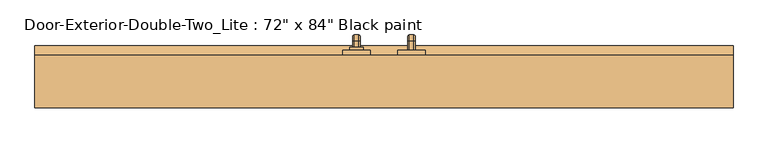
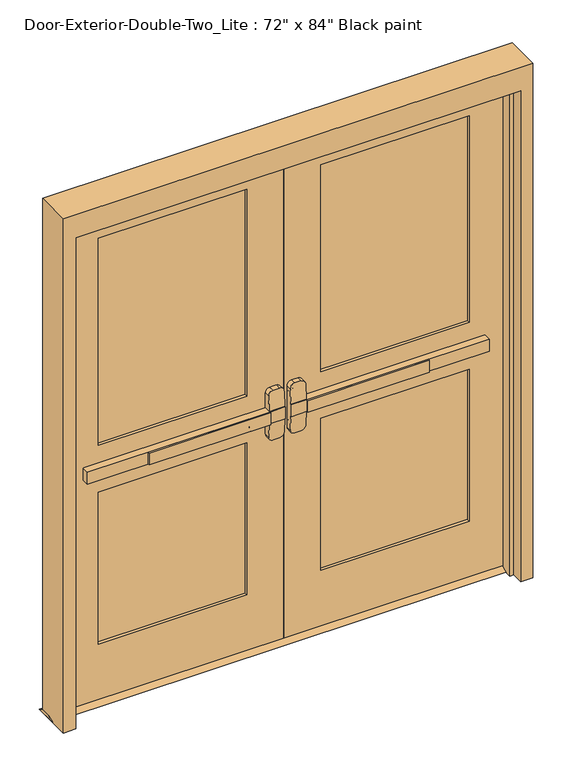
"""IFC4 building model written with IfcOpenShell, lengths in millimetres: door geometry."""

from ifc_helpers import new_model, si_unit, point, frame, frame_2d, origin, place, context, project, spatial, polyline, circle_curve, ellipse_curve, trimmed, segment, composite_curve, outline, extrude, faceted_brep, source, transform, mapped, element, save
from ifc_brep_helpers import plane_surface, cylinder_surface, revolved_surface, advanced_brep


def door_c97470d8(model_context):
    return source(origin(), model_context, "Body", "SolidModel", [
        extrude(outline(polyline([(-575.7333333, 74.6125), (-575.7333333, 80.9625), (-76.2, 80.9625), (-76.2, 74.6125), (-575.7333333, 74.6125)])), frame((0.0, 0.0, 990.6), z_axis=(0.0, 0.0, 1.0), x_axis=(1.0, 0.0, 0.0)), (0.0, 0.0, 1.0), 50.8),
        advanced_brep(
        [(-12.7, 80.9625, 1041.4), (-76.2, 80.9625, 1041.4), (-825.5, 80.9625, 1041.4), (-825.5, 80.9625, 990.6), (-76.2, 80.9625, 990.6), (-12.7, 80.9625, 990.6), (-825.5, 112.7125, 1041.4), (-76.2, 112.7125, 1041.4), (-76.2, 112.7125, 1104.9), (-57.15, 112.7125, 1123.95), (-31.75, 112.7125, 1123.95), (-12.7, 112.7125, 1104.9), (-12.7, 112.7125, 927.1), (-31.75, 112.7125, 908.05), (-57.15, 112.7125, 908.05), (-76.2, 112.7125, 927.1), (-76.2, 112.7125, 990.6), (-825.5, 112.7125, 990.6), (-12.7, 84.1377467, 1041.4), (-76.2, 84.1377467, 1041.4), (-12.7, 84.1377467, 990.6), (-12.7, 89.1479269, 927.1), (-12.7, 89.1479269, 1104.9), (-76.2, 84.1377467, 990.6), (-76.2, 89.1479269, 1104.9), (-76.2, 89.1479269, 927.1), (-57.15, 90.650981, 1123.95), (-31.75, 90.650981, 1123.95), (-31.75, 90.650981, 908.05), (-57.15, 90.650981, 908.05)],
        [
            (0, 1),
            (1, 2),
            (2, 3),
            (3, 4),
            (4, 5),
            (5, 0),
            (6, 7),
            (7, 8),
            (8, 9, circle_curve(frame((-57.15, 112.7125, 1104.9), z_axis=(0.0, 1.0, 0.0), x_axis=(-1.0, 0.0, 0.0)), 19.05)),
            (9, 10),
            (10, 11, circle_curve(frame((-31.75, 112.7125, 1104.9), z_axis=(0.0, 1.0, 0.0), x_axis=(-1.0, 0.0, 0.0)), 19.05)),
            (11, 12),
            (12, 13, circle_curve(frame((-31.75, 112.7125, 927.1), z_axis=(0.0, 1.0, 0.0), x_axis=(-1.0, 0.0, 0.0)), 19.05)),
            (13, 14),
            (14, 15, circle_curve(frame((-57.15, 112.7125, 927.1), z_axis=(0.0, 1.0, 0.0), x_axis=(-1.0, 0.0, 0.0)), 19.05)),
            (15, 16),
            (16, 17),
            (17, 6),
            (0, 18),
            (18, 19),
            (19, 7),
            (6, 2),
            (5, 20),
            (20, 21),
            (21, 12),
            (11, 22),
            (22, 18),
            (16, 23),
            (23, 20),
            (3, 17),
            (19, 24),
            (24, 8),
            (15, 25),
            (25, 23),
            (9, 26),
            (26, 27),
            (27, 10),
            (13, 28),
            (28, 29),
            (29, 14),
            (29, 25, ellipse_curve(frame((-57.15, 89.1479269, 927.1), z_axis=(0.0, 0.9969018152893365, 0.07865602756830282), x_axis=(0.0, -0.07865602756830208, 0.9969018152893365)), 19.1092038, 19.05)),
            (24, 26, ellipse_curve(frame((-57.15, 89.1479269, 1104.9), z_axis=(0.0, 0.9969018152893376, -0.07865602756828934), x_axis=(0.0, -0.078656027568288, -0.9969018152893377)), 19.1092038, 19.05)),
            (27, 22, ellipse_curve(frame((-31.75, 89.1479269, 1104.9), z_axis=(0.0, 0.9969018152893376, -0.07865602756828934), x_axis=(0.0, -0.078656027568288, -0.9969018152893377)), 19.1092038, 19.05)),
            (21, 28, ellipse_curve(frame((-31.75, 89.1479269, 927.1), z_axis=(0.0, 0.9969018152893365, 0.07865602756830282), x_axis=(0.0, -0.07865602756830208, 0.9969018152893365)), 19.1092038, 19.05)),
        ],
        [
            plane_surface(frame((-12.7, 80.9625, 1041.4), z_axis=(0.0, -1.0, 0.0), x_axis=(1.0, 0.0, 0.0))),
            plane_surface(frame((-12.7, 112.7125, 1041.4), z_axis=(0.0, 1.0, 0.0), x_axis=(-1.0, 0.0, 0.0))),
            plane_surface(frame((-825.5, 80.9625, 1041.4), z_axis=(0.0, 0.0, 1.0), x_axis=(0.0, 1.0, 0.0))),
            plane_surface(frame((-12.7, 80.9625, 1041.4), z_axis=(1.0, 0.0, 0.0), x_axis=(0.0, 1.0, 0.0))),
            plane_surface(frame((-12.7, 80.9625, 990.6), z_axis=(0.0, 0.0, -1.0), x_axis=(0.0, 1.0, 0.0))),
            plane_surface(frame((-825.5, 80.9625, 990.6), z_axis=(-1.0, 0.0, 0.0), x_axis=(0.0, 1.0, 0.0))),
            plane_surface(frame((-76.2, 84.1377467, 927.1), z_axis=(-1.0, 0.0, 0.0), x_axis=(0.0, 1.0, 0.0))),
            plane_surface(frame((-57.15, 84.1377467, 1123.95), z_axis=(0.0, 0.0, 1.0), x_axis=(0.0, 1.0, 0.0))),
            plane_surface(frame((-31.75, 84.1377467, 908.05), z_axis=(0.0, 0.0, -1.0), x_axis=(0.0, 1.0, 0.0))),
            cylinder_surface(frame((-57.15, 112.7125, 927.1), z_axis=(0.0, -1.0, 0.0), x_axis=(-1.0, 0.0, 0.0)), 19.05),
            cylinder_surface(frame((-57.15, 112.7125, 1104.9), z_axis=(0.0, -1.0, 0.0), x_axis=(-1.0, 0.0, 0.0)), 19.05),
            cylinder_surface(frame((-31.75, 112.7125, 1104.9), z_axis=(0.0, -1.0, 0.0), x_axis=(-1.0, 0.0, 0.0)), 19.05),
            cylinder_surface(frame((-31.75, 112.7125, 927.1), z_axis=(0.0, -1.0, 0.0), x_axis=(-1.0, 0.0, 0.0)), 19.05),
            plane_surface(frame((-76.2, 84.1377467, 1041.4), z_axis=(0.0, -0.9969018152893376, 0.07865602756828934), x_axis=(1.0, 0.0, 0.0))),
            plane_surface(frame((-76.2, 90.650981, 908.05), z_axis=(0.0, -0.9969018152893365, -0.07865602756830282), x_axis=(1.0, 0.0, 0.0))),
        ],
        [
            (0, [[1, 2, 3, 4, 5, 6]]),
            (1, [[7, 8, 9, 10, 11, 12, 13, 14, 15, 16, 17, 18]]),
            (2, [[-2, -1, 19, 20, 21, -7, 22]]),
            (3, [[23, 24, 25, -12, 26, 27, -19, -6]]),
            (4, [[-17, 28, 29, -23, -5, -4, 30]]),
            (5, [[-22, -18, -30, -3]]),
            (6, [[-21, 31, 32, -8]]),
            (6, [[33, 34, -28, -16]]),
            (7, [[35, 36, 37, -10]]),
            (8, [[38, 39, 40, -14]]),
            (9, [[-40, 41, -33, -15]]),
            (10, [[-32, 42, -35, -9]]),
            (11, [[-37, 43, -26, -11]]),
            (12, [[-25, 44, -38, -13]]),
            (13, [[-27, -43, -36, -42, -31, -20]]),
            (14, [[-29, -34, -41, -39, -44, -24]]),
        ],
    ),
        extrude(outline(polyline([(157.1625, 12.7), (182.5625, 0.0), (87.3125, 0.0), (112.7125, 12.7), (157.1625, 12.7)])), frame((-965.2, 0.0, 0.0), z_axis=(1.0, 0.0, 0.0), x_axis=(0.0, 1.0, 0.0)), (0.0, 0.0, 1.0), 1930.4),
        extrude(outline(polyline([(575.7333333, 74.6125), (76.2, 74.6125), (76.2, 80.9625), (575.7333333, 80.9625), (575.7333333, 74.6125)])), frame((0.0, 0.0, 990.6), z_axis=(0.0, 0.0, 1.0), x_axis=(1.0, 0.0, 0.0)), (0.0, 0.0, 1.0), 50.8),
        advanced_brep(
        [(12.7, 80.9625, 1041.4), (12.7, 80.9625, 990.6), (76.2, 80.9625, 990.6), (825.5, 80.9625, 990.6), (825.5, 80.9625, 1041.4), (76.2, 80.9625, 1041.4), (825.5, 112.7125, 1041.4), (825.5, 112.7125, 990.6), (76.2, 112.7125, 990.6), (76.2, 112.7125, 927.1), (57.15, 112.7125, 908.05), (31.75, 112.7125, 908.05), (12.7, 112.7125, 927.1), (12.7, 112.7125, 1104.9), (31.75, 112.7125, 1123.95), (57.15, 112.7125, 1123.95), (76.2, 112.7125, 1104.9), (76.2, 112.7125, 1041.4), (76.2, 84.1377467, 1041.4), (12.7, 84.1377467, 1041.4), (12.7, 89.1479269, 1104.9), (12.7, 89.1479269, 927.1), (12.7, 84.1377467, 990.6), (76.2, 84.1377467, 990.6), (76.2, 89.1479269, 927.1), (76.2, 89.1479269, 1104.9), (31.75, 90.650981, 1123.95), (57.15, 90.650981, 1123.95), (57.15, 90.650981, 908.05), (31.75, 90.650981, 908.05)],
        [
            (0, 1),
            (1, 2),
            (2, 3),
            (3, 4),
            (4, 5),
            (5, 0),
            (6, 7),
            (7, 8),
            (8, 9),
            (9, 10, circle_curve(frame((57.15, 112.7125, 927.1), z_axis=(0.0, 1.0, 0.0), x_axis=(1.0, 0.0, 0.0)), 19.05)),
            (10, 11),
            (11, 12, circle_curve(frame((31.75, 112.7125, 927.1), z_axis=(0.0, 1.0, 0.0), x_axis=(1.0, 0.0, 0.0)), 19.05)),
            (12, 13),
            (13, 14, circle_curve(frame((31.75, 112.7125, 1104.9), z_axis=(0.0, 1.0, 0.0), x_axis=(1.0, 0.0, 0.0)), 19.05)),
            (14, 15),
            (15, 16, circle_curve(frame((57.15, 112.7125, 1104.9), z_axis=(0.0, 1.0, 0.0), x_axis=(1.0, 0.0, 0.0)), 19.05)),
            (16, 17),
            (17, 6),
            (4, 6),
            (17, 18),
            (18, 19),
            (19, 0),
            (19, 20),
            (20, 13),
            (12, 21),
            (21, 22),
            (22, 1),
            (7, 3),
            (22, 23),
            (23, 8),
            (23, 24),
            (24, 9),
            (16, 25),
            (25, 18),
            (14, 26),
            (26, 27),
            (27, 15),
            (10, 28),
            (28, 29),
            (29, 11),
            (24, 28, ellipse_curve(frame((57.15, 89.1479269, 927.1), z_axis=(0.0, 0.9969018152893365, 0.07865602756830282), x_axis=(0.0, -0.07865602756830208, 0.9969018152893365)), 19.1092038, 19.05)),
            (27, 25, ellipse_curve(frame((57.15, 89.1479269, 1104.9), z_axis=(0.0, 0.9969018152893376, -0.07865602756828934), x_axis=(0.0, -0.078656027568288, -0.9969018152893377)), 19.1092038, 19.05)),
            (20, 26, ellipse_curve(frame((31.75, 89.1479269, 1104.9), z_axis=(0.0, 0.9969018152893376, -0.07865602756828934), x_axis=(0.0, -0.078656027568288, -0.9969018152893377)), 19.1092038, 19.05)),
            (29, 21, ellipse_curve(frame((31.75, 89.1479269, 927.1), z_axis=(0.0, 0.9969018152893365, 0.07865602756830282), x_axis=(0.0, -0.07865602756830208, 0.9969018152893365)), 19.1092038, 19.05)),
        ],
        [
            plane_surface(frame((12.7, 80.9625, 1041.4), z_axis=(0.0, -1.0, 0.0), x_axis=(-1.0, 0.0, 0.0))),
            plane_surface(frame((12.7, 112.7125, 1041.4), z_axis=(0.0, 1.0, 0.0), x_axis=(1.0, 0.0, 0.0))),
            plane_surface(frame((825.5, 80.9625, 1041.4), z_axis=(0.0, 0.0, 1.0), x_axis=(0.0, 1.0, 0.0))),
            plane_surface(frame((12.7, 80.9625, 1041.4), z_axis=(-1.0, 0.0, 0.0), x_axis=(0.0, 1.0, 0.0))),
            plane_surface(frame((12.7, 80.9625, 990.6), z_axis=(0.0, 0.0, -1.0), x_axis=(0.0, 1.0, 0.0))),
            plane_surface(frame((825.5, 80.9625, 990.6), z_axis=(1.0, 0.0, 0.0), x_axis=(0.0, 1.0, 0.0))),
            plane_surface(frame((76.2, 84.1377467, 927.1), z_axis=(1.0, 0.0, 0.0), x_axis=(0.0, 1.0, 0.0))),
            plane_surface(frame((57.15, 84.1377467, 1123.95), z_axis=(0.0, 0.0, 1.0), x_axis=(0.0, 1.0, 0.0))),
            plane_surface(frame((31.75, 84.1377467, 908.05), z_axis=(0.0, 0.0, -1.0), x_axis=(0.0, 1.0, 0.0))),
            cylinder_surface(frame((57.15, 112.7125, 927.1), z_axis=(0.0, -1.0, 0.0), x_axis=(1.0, 0.0, 0.0)), 19.05),
            cylinder_surface(frame((57.15, 112.7125, 1104.9), z_axis=(0.0, -1.0, 0.0), x_axis=(1.0, 0.0, 0.0)), 19.05),
            cylinder_surface(frame((31.75, 112.7125, 1104.9), z_axis=(0.0, -1.0, 0.0), x_axis=(1.0, 0.0, 0.0)), 19.05),
            cylinder_surface(frame((31.75, 112.7125, 927.1), z_axis=(0.0, -1.0, 0.0), x_axis=(1.0, 0.0, 0.0)), 19.05),
            plane_surface(frame((76.2, 84.1377467, 1041.4), z_axis=(0.0, -0.9969018152893376, 0.07865602756828934), x_axis=(-1.0, 0.0, 0.0))),
            plane_surface(frame((76.2, 90.650981, 908.05), z_axis=(0.0, -0.9969018152893365, -0.07865602756830282), x_axis=(-1.0, 0.0, 0.0))),
        ],
        [
            (0, [[1, 2, 3, 4, 5, 6]]),
            (1, [[7, 8, 9, 10, 11, 12, 13, 14, 15, 16, 17, 18]]),
            (2, [[19, -18, 20, 21, 22, -6, -5]]),
            (3, [[-1, -22, 23, 24, -13, 25, 26, 27]]),
            (4, [[28, -3, -2, -27, 29, 30, -8]]),
            (5, [[-4, -28, -7, -19]]),
            (6, [[-9, -30, 31, 32]]),
            (6, [[-17, 33, 34, -20]]),
            (7, [[-15, 35, 36, 37]]),
            (8, [[-11, 38, 39, 40]]),
            (9, [[-10, -32, 41, -38]]),
            (10, [[-16, -37, 42, -33]]),
            (11, [[-14, -24, 43, -35]]),
            (12, [[-12, -40, 44, -25]]),
            (13, [[-21, -34, -42, -36, -43, -23]]),
            (14, [[-26, -44, -39, -41, -31, -29]]),
        ],
    ),
        advanced_brep(
        [(66.2, 169.8625, 1017.190625), (66.2, 169.8625, 1014.809375), (69.771875, 169.8625, 1011.2375), (82.6284594, 169.8625, 1011.2375), (86.2, 169.8625, 1014.8090406), (86.2, 169.8625, 1017.190625), (82.628125, 169.8625, 1020.7625), (69.771875, 169.8625, 1020.7625), (66.2, 169.8625, 887.809375), (69.771875, 169.8625, 884.2375), (82.628125, 169.8625, 884.2375), (86.2, 169.8625, 887.809375), (86.2, 169.8625, 890.1909594), (82.6284594, 169.8625, 893.7625), (69.771875, 169.8625, 893.7625), (66.2, 169.8625, 890.190625), (66.2, 195.2625, 1017.190625), (66.2, 209.153125, 1003.3), (66.2, 209.153125, 901.7), (66.2, 195.2625, 887.809375), (66.2, 195.2625, 890.190625), (66.2, 206.771875, 901.7), (66.2, 206.771875, 1003.3), (66.2, 195.2625, 1014.809375), (69.771875, 195.2625, 1011.2375), (82.6284594, 195.2625, 1011.2375), (86.2, 195.2625, 1014.8090406), (86.2, 206.7715406, 1003.3), (86.2, 206.7715406, 901.7), (86.2, 195.2625, 890.1909594), (86.2, 195.2625, 887.809375), (86.2, 209.153125, 901.7), (86.2, 209.153125, 1003.3), (86.2, 195.2625, 1017.190625), (82.628125, 195.2625, 1020.7625), (69.771875, 195.2625, 1020.7625), (69.771875, 203.2, 1003.3), (82.6284594, 203.2, 1003.3), (82.628125, 212.725, 1003.3), (69.771875, 212.725, 1003.3), (69.771875, 203.2, 901.7), (82.6284594, 203.2, 901.7), (82.628125, 212.725, 901.7), (69.771875, 212.725, 901.7), (69.771875, 195.2625, 893.7625), (82.6284594, 195.2625, 893.7625), (82.628125, 195.2625, 884.2375), (69.771875, 195.2625, 884.2375)],
        [
            (0, 1),
            (1, 2, circle_curve(frame((69.771875, 169.8625, 1014.809375), z_axis=(0.0, -1.0, 0.0), x_axis=(0.0, 0.0, 1.0)), 3.571875)),
            (2, 3),
            (3, 4, circle_curve(frame((82.6284594, 169.8625, 1014.8090406), z_axis=(0.0, -1.0, 0.0), x_axis=(0.0, 0.0, 1.0)), 3.5715406)),
            (4, 5),
            (5, 6, circle_curve(frame((82.628125, 169.8625, 1017.190625), z_axis=(0.0, -1.0, 0.0), x_axis=(0.0, 0.0, 1.0)), 3.571875)),
            (6, 7),
            (7, 0, circle_curve(frame((69.771875, 169.8625, 1017.190625), z_axis=(0.0, -1.0, 0.0), x_axis=(0.0, 0.0, 1.0)), 3.571875)),
            (8, 9, circle_curve(frame((69.771875, 169.8625, 887.809375), z_axis=(0.0, -1.0, 0.0), x_axis=(0.0, 0.0, -1.0)), 3.571875)),
            (9, 10),
            (10, 11, circle_curve(frame((82.628125, 169.8625, 887.809375), z_axis=(0.0, -1.0, 0.0), x_axis=(0.0, 0.0, -1.0)), 3.571875)),
            (11, 12),
            (12, 13, circle_curve(frame((82.6284594, 169.8625, 890.1909594), z_axis=(0.0, -1.0, 0.0), x_axis=(0.0, 0.0, -1.0)), 3.5715406)),
            (13, 14),
            (14, 15, circle_curve(frame((69.771875, 169.8625, 890.190625), z_axis=(0.0, -1.0, 0.0), x_axis=(0.0, 0.0, -1.0)), 3.571875)),
            (15, 8),
            (0, 16),
            (16, 17, circle_curve(frame((66.2, 195.2625, 1003.3), z_axis=(-1.0, 0.0, 0.0), x_axis=(0.0, 0.0, 1.0)), 13.890625)),
            (17, 18),
            (18, 19, circle_curve(frame((66.2, 195.2625, 901.7), z_axis=(-1.0, 0.0, 0.0), x_axis=(0.0, 1.0, 0.0)), 13.890625)),
            (19, 8),
            (15, 20),
            (20, 21, circle_curve(frame((66.2, 195.2625, 901.7), z_axis=(1.0, 0.0, 0.0), x_axis=(0.0, 1.0, 0.0)), 11.509375)),
            (21, 22),
            (22, 23, circle_curve(frame((66.2, 195.2625, 1003.3), z_axis=(1.0, 0.0, 0.0), x_axis=(0.0, 0.0, 1.0)), 11.509375)),
            (23, 1),
            (23, 24, circle_curve(frame((69.771875, 195.2625, 1014.809375), z_axis=(0.0, -1.0, 0.0), x_axis=(0.0, 0.0, 1.0)), 3.571875)),
            (24, 2),
            (24, 25),
            (25, 3),
            (25, 26, circle_curve(frame((82.6284594, 195.2625, 1014.8090406), z_axis=(0.0, -1.0, 0.0), x_axis=(0.0, 0.0, 1.0)), 3.5715406)),
            (26, 4),
            (26, 27, circle_curve(frame((86.2, 195.2625, 1003.3), z_axis=(-1.0, 0.0, 0.0), x_axis=(0.0, 0.0, 1.0)), 11.5090406)),
            (27, 28),
            (28, 29, circle_curve(frame((86.2, 195.2625, 901.7), z_axis=(-1.0, 0.0, 0.0), x_axis=(0.0, 1.0, 0.0)), 11.5090406)),
            (29, 12),
            (11, 30),
            (30, 31, circle_curve(frame((86.2, 195.2625, 901.7), z_axis=(1.0, 0.0, 0.0), x_axis=(0.0, 1.0, 0.0)), 13.890625)),
            (31, 32),
            (32, 33, circle_curve(frame((86.2, 195.2625, 1003.3), z_axis=(1.0, 0.0, 0.0), x_axis=(0.0, 0.0, 1.0)), 13.890625)),
            (33, 5),
            (33, 34, circle_curve(frame((82.628125, 195.2625, 1017.190625), z_axis=(0.0, -1.0, 0.0), x_axis=(0.0, 0.0, 1.0)), 3.571875)),
            (34, 6),
            (34, 35),
            (35, 7),
            (35, 16, circle_curve(frame((69.771875, 195.2625, 1017.190625), z_axis=(0.0, -1.0, 0.0), x_axis=(0.0, 0.0, 1.0)), 3.571875)),
            (36, 24, circle_curve(frame((69.771875, 195.2625, 1003.3), z_axis=(1.0, 0.0, 0.0), x_axis=(0.0, 0.0, 1.0)), 7.9375)),
            (22, 36, circle_curve(frame((69.771875, 206.771875, 1003.3), z_axis=(0.0, 0.0, 1.0), x_axis=(0.0, 1.0, 0.0)), 3.571875)),
            (37, 25, circle_curve(frame((82.6284594, 195.2625, 1003.3), z_axis=(1.0, 0.0, 0.0), x_axis=(0.0, 0.0, 1.0)), 7.9375)),
            (36, 37),
            (37, 27, circle_curve(frame((82.6284594, 206.7715406, 1003.3), z_axis=(0.0, 0.0, 1.0), x_axis=(0.0, 1.0, 0.0)), 3.5715406)),
            (38, 34, circle_curve(frame((82.628125, 195.2625, 1003.3), z_axis=(1.0, 0.0, 0.0), x_axis=(0.0, 0.0, 1.0)), 17.4625)),
            (32, 38, circle_curve(frame((82.628125, 209.153125, 1003.3), z_axis=(0.0, 0.0, 1.0), x_axis=(0.0, 1.0, 0.0)), 3.571875)),
            (39, 35, circle_curve(frame((69.771875, 195.2625, 1003.3), z_axis=(1.0, 0.0, 0.0), x_axis=(0.0, 0.0, 1.0)), 17.4625)),
            (38, 39),
            (39, 17, circle_curve(frame((69.771875, 209.153125, 1003.3), z_axis=(0.0, 0.0, 1.0), x_axis=(0.0, 1.0, 0.0)), 3.571875)),
            (21, 40, circle_curve(frame((69.771875, 206.771875, 901.7), z_axis=(0.0, 0.0, 1.0), x_axis=(0.0, 1.0, 0.0)), 3.571875)),
            (40, 36),
            (40, 41),
            (41, 37),
            (41, 28, circle_curve(frame((82.6284594, 206.7715406, 901.7), z_axis=(0.0, 0.0, 1.0), x_axis=(0.0, 1.0, 0.0)), 3.5715406)),
            (31, 42, circle_curve(frame((82.628125, 209.153125, 901.7), z_axis=(0.0, 0.0, 1.0), x_axis=(0.0, 1.0, 0.0)), 3.571875)),
            (42, 38),
            (42, 43),
            (43, 39),
            (43, 18, circle_curve(frame((69.771875, 209.153125, 901.7), z_axis=(0.0, 0.0, 1.0), x_axis=(0.0, 1.0, 0.0)), 3.571875)),
            (44, 40, circle_curve(frame((69.771875, 195.2625, 901.7), z_axis=(1.0, 0.0, 0.0), x_axis=(0.0, 1.0, 0.0)), 7.9375)),
            (20, 44, circle_curve(frame((69.771875, 195.2625, 890.190625), z_axis=(0.0, 1.0, 0.0), x_axis=(0.0, 0.0, -1.0)), 3.571875)),
            (45, 41, circle_curve(frame((82.6284594, 195.2625, 901.7), z_axis=(1.0, 0.0, 0.0), x_axis=(0.0, 1.0, 0.0)), 7.9375)),
            (44, 45),
            (45, 29, circle_curve(frame((82.6284594, 195.2625, 890.1909594), z_axis=(0.0, 1.0, 0.0), x_axis=(0.0, 0.0, -1.0)), 3.5715406)),
            (46, 42, circle_curve(frame((82.628125, 195.2625, 901.7), z_axis=(1.0, 0.0, 0.0), x_axis=(0.0, 1.0, 0.0)), 17.4625)),
            (30, 46, circle_curve(frame((82.628125, 195.2625, 887.809375), z_axis=(0.0, 1.0, 0.0), x_axis=(0.0, 0.0, -1.0)), 3.571875)),
            (47, 43, circle_curve(frame((69.771875, 195.2625, 901.7), z_axis=(1.0, 0.0, 0.0), x_axis=(0.0, 1.0, 0.0)), 17.4625)),
            (46, 47),
            (47, 19, circle_curve(frame((69.771875, 195.2625, 887.809375), z_axis=(0.0, 1.0, 0.0), x_axis=(0.0, 0.0, -1.0)), 3.571875)),
            (14, 44),
            (13, 45),
            (10, 46),
            (9, 47),
        ],
        [
            plane_surface(frame((76.2, 169.8625, 1016.0), z_axis=(0.0, -1.0, 0.0), x_axis=(1.0, 0.0, 0.0))),
            plane_surface(frame((76.2, 169.8625, 889.0), z_axis=(0.0, -1.0, 0.0), x_axis=(1.0, 0.0, 0.0))),
            plane_surface(frame((66.2, 169.8625, 1017.190625), z_axis=(-1.0, 0.0, 0.0), x_axis=(0.0, 1.0, 0.0))),
            cylinder_surface(frame((69.771875, 169.8625, 1014.809375), z_axis=(0.0, -1.0, 0.0), x_axis=(0.0, 0.0, 1.0)), 3.571875),
            plane_surface(frame((69.771875, 169.8625, 1011.2375), z_axis=(0.0, 0.0, -1.0), x_axis=(0.0, 1.0, 0.0))),
            cylinder_surface(frame((82.6284594, 169.8625, 1014.8090406), z_axis=(0.0, -1.0, 0.0), x_axis=(0.0, 0.0, 1.0)), 3.5715406),
            plane_surface(frame((86.2, 169.8625, 1014.8090406), z_axis=(1.0, 0.0, 0.0), x_axis=(0.0, 1.0, 0.0))),
            cylinder_surface(frame((82.628125, 169.8625, 1017.190625), z_axis=(0.0, -1.0, 0.0), x_axis=(0.0, 0.0, 1.0)), 3.571875),
            plane_surface(frame((82.628125, 169.8625, 1020.7625), z_axis=(0.0, 0.0, 1.0), x_axis=(0.0, 1.0, 0.0))),
            cylinder_surface(frame((69.771875, 169.8625, 1017.190625), z_axis=(0.0, -1.0, 0.0), x_axis=(0.0, 0.0, 1.0)), 3.571875),
            revolved_surface(trimmed(ellipse_curve(frame((69.771875, 195.2625, 1014.809375), z_axis=(0.0, -1.0, 0.0), x_axis=(0.0, 0.0, 1.0)), 3.571875, 3.571875), [point((66.2, 195.2625, 1014.809375))], [point((69.771875, 195.2625, 1011.2375))], True, "CARTESIAN"), (76.2, 195.2625, 1003.3), (-1.0, 0.0, 0.0)),
            revolved_surface(polyline([(69.771875, 195.2625, 1011.2375), (82.6284594, 195.2625, 1011.2375)]), (76.2, 195.2625, 1003.3), (-1.0, 0.0, 0.0)),
            revolved_surface(trimmed(ellipse_curve(frame((82.6284594, 195.2625, 1014.8090406), z_axis=(0.0, -1.0, 0.0), x_axis=(0.0, 0.0, 1.0)), 3.5715406, 3.5715406), [point((82.6284594, 195.2625, 1011.2375))], [point((86.2, 195.2625, 1014.8090406))], True, "CARTESIAN"), (76.2, 195.2625, 1003.3), (-1.0, 0.0, 0.0)),
            revolved_surface(trimmed(ellipse_curve(frame((82.628125, 195.2625, 1017.190625), z_axis=(0.0, -1.0, 0.0), x_axis=(0.0, 0.0, 1.0)), 3.571875, 3.571875), [point((86.2, 195.2625, 1017.190625))], [point((82.628125, 195.2625, 1020.7625))], True, "CARTESIAN"), (76.2, 195.2625, 1003.3), (-1.0, 0.0, 0.0)),
            cylinder_surface(frame((76.2, 195.2625, 1003.3), z_axis=(-1.0, 0.0, 0.0), x_axis=(0.0, 0.0, 1.0)), 17.4625),
            revolved_surface(trimmed(ellipse_curve(frame((69.771875, 195.2625, 1017.190625), z_axis=(0.0, -1.0, 0.0), x_axis=(0.0, 0.0, 1.0)), 3.571875, 3.571875), [point((69.771875, 195.2625, 1020.7625))], [point((66.2, 195.2625, 1017.190625))], True, "CARTESIAN"), (76.2, 195.2625, 1003.3), (-1.0, 0.0, 0.0)),
            cylinder_surface(frame((69.771875, 206.771875, 1003.3), z_axis=(0.0, 0.0, 1.0), x_axis=(0.0, 1.0, 0.0)), 3.571875),
            plane_surface(frame((69.771875, 203.2, 1003.3), z_axis=(0.0, -1.0, 0.0), x_axis=(0.0, 0.0, -1.0))),
            cylinder_surface(frame((82.6284594, 206.7715406, 1003.3), z_axis=(0.0, 0.0, 1.0), x_axis=(0.0, 1.0, 0.0)), 3.5715406),
            cylinder_surface(frame((82.628125, 209.153125, 1003.3), z_axis=(0.0, 0.0, 1.0), x_axis=(0.0, 1.0, 0.0)), 3.571875),
            plane_surface(frame((82.628125, 212.725, 1003.3), z_axis=(0.0, 1.0, 0.0), x_axis=(0.0, 0.0, -1.0))),
            cylinder_surface(frame((69.771875, 209.153125, 1003.3), z_axis=(0.0, 0.0, 1.0), x_axis=(0.0, 1.0, 0.0)), 3.571875),
            revolved_surface(trimmed(ellipse_curve(frame((69.771875, 206.771875, 901.7), z_axis=(0.0, 0.0, 1.0), x_axis=(0.0, 1.0, 0.0)), 3.571875, 3.571875), [point((66.2, 206.771875, 901.7))], [point((69.771875, 203.2, 901.7))], True, "CARTESIAN"), (76.2, 195.2625, 901.7), (-1.0, 0.0, 0.0)),
            revolved_surface(polyline([(69.771875, 203.2, 901.7), (82.6284594, 203.2, 901.7)]), (76.2, 195.2625, 901.7), (-1.0, 0.0, 0.0)),
            revolved_surface(trimmed(ellipse_curve(frame((82.6284594, 206.7715406, 901.7), z_axis=(0.0, 0.0, 1.0), x_axis=(0.0, 1.0, 0.0)), 3.5715406, 3.5715406), [point((82.6284594, 203.2, 901.7))], [point((86.2, 206.7715406, 901.7))], True, "CARTESIAN"), (76.2, 195.2625, 901.7), (-1.0, 0.0, 0.0)),
            revolved_surface(trimmed(ellipse_curve(frame((82.628125, 209.153125, 901.7), z_axis=(0.0, 0.0, 1.0), x_axis=(0.0, 1.0, 0.0)), 3.571875, 3.571875), [point((86.2, 209.153125, 901.7))], [point((82.628125, 212.725, 901.7))], True, "CARTESIAN"), (76.2, 195.2625, 901.7), (-1.0, 0.0, 0.0)),
            cylinder_surface(frame((76.2, 195.2625, 901.7), z_axis=(-1.0, 0.0, 0.0), x_axis=(0.0, 1.0, 0.0)), 17.4625),
            revolved_surface(trimmed(ellipse_curve(frame((69.771875, 209.153125, 901.7), z_axis=(0.0, 0.0, 1.0), x_axis=(0.0, 1.0, 0.0)), 3.571875, 3.571875), [point((69.771875, 212.725, 901.7))], [point((66.2, 209.153125, 901.7))], True, "CARTESIAN"), (76.2, 195.2625, 901.7), (-1.0, 0.0, 0.0)),
            cylinder_surface(frame((69.771875, 195.2625, 890.190625), z_axis=(0.0, 1.0, 0.0), x_axis=(0.0, 0.0, -1.0)), 3.571875),
            plane_surface(frame((69.771875, 195.2625, 893.7625), z_axis=(0.0, 0.0, 1.0), x_axis=(0.0, -1.0, 0.0))),
            cylinder_surface(frame((82.6284594, 195.2625, 890.1909594), z_axis=(0.0, 1.0, 0.0), x_axis=(0.0, 0.0, -1.0)), 3.5715406),
            cylinder_surface(frame((82.628125, 195.2625, 887.809375), z_axis=(0.0, 1.0, 0.0), x_axis=(0.0, 0.0, -1.0)), 3.571875),
            plane_surface(frame((82.628125, 195.2625, 884.2375), z_axis=(0.0, 0.0, -1.0), x_axis=(0.0, -1.0, 0.0))),
            cylinder_surface(frame((69.771875, 195.2625, 887.809375), z_axis=(0.0, 1.0, 0.0), x_axis=(0.0, 0.0, -1.0)), 3.571875),
        ],
        [
            (0, [[1, 2, 3, 4, 5, 6, 7, 8]]),
            (1, [[9, 10, 11, 12, 13, 14, 15, 16]]),
            (2, [[-1, 17, 18, 19, 20, 21, -16, 22, 23, 24, 25, 26]]),
            (3, [[-2, -26, 27, 28]]),
            (4, [[-3, -28, 29, 30]]),
            (5, [[-4, -30, 31, 32]]),
            (6, [[-5, -32, 33, 34, 35, 36, -12, 37, 38, 39, 40, 41]]),
            (7, [[-6, -41, 42, 43]]),
            (8, [[-7, -43, 44, 45]]),
            (9, [[-8, -45, 46, -17]]),
            (10, [[47, -27, -25, 48]]),
            (11, [[49, -29, -47, 50]]),
            (12, [[-33, -31, -49, 51]]),
            (13, [[52, -42, -40, 53]]),
            (14, [[54, -44, -52, 55]]),
            (15, [[-18, -46, -54, 56]]),
            (16, [[-48, -24, 57, 58]]),
            (17, [[-50, -58, 59, 60]]),
            (18, [[-51, -60, 61, -34]]),
            (19, [[-53, -39, 62, 63]]),
            (20, [[-55, -63, 64, 65]]),
            (21, [[-56, -65, 66, -19]]),
            (22, [[67, -57, -23, 68]]),
            (23, [[69, -59, -67, 70]]),
            (24, [[-35, -61, -69, 71]]),
            (25, [[72, -62, -38, 73]]),
            (26, [[74, -64, -72, 75]]),
            (27, [[-20, -66, -74, 76]]),
            (28, [[-68, -22, -15, 77]]),
            (29, [[-70, -77, -14, 78]]),
            (30, [[-71, -78, -13, -36]]),
            (31, [[-73, -37, -11, 79]]),
            (32, [[-75, -79, -10, 80]]),
            (33, [[-76, -80, -9, -21]]),
        ],
    ),
        extrude(outline(composite_curve([segment(trimmed(circle_curve(frame_2d((1113.0338574, 76.2)), 89.3016225), [point((1193.8, 114.3))], [point((1193.8, 38.1))], False, "CARTESIAN"), True, "CONTINUOUS"), segment(polyline([(1193.8, 38.1), (838.2, 38.1)]), True, "CONTINUOUS"), segment(trimmed(circle_curve(frame_2d((918.9661426, 76.2)), 89.3016225), [point((838.2, 38.1))], [point((838.2, 114.3))], False, "CARTESIAN"), True, "CONTINUOUS"), segment(polyline([(838.2, 114.3), (1193.8, 114.3)]), True, "CONTINUOUS")], self_intersect=False)), frame((0.0, 157.1625, 0.0), z_axis=(0.0, 1.0, 0.0), x_axis=(0.0, 0.0, 1.0)), (0.0, 0.0, 1.0), 12.7),
        advanced_brep(
        [(-86.2, 169.8625, 1017.190625), (-86.2, 169.8625, 1014.809375), (-82.628125, 169.8625, 1011.2375), (-69.7715406, 169.8625, 1011.2375), (-66.2, 169.8625, 1014.8090406), (-66.2, 169.8625, 1017.190625), (-69.771875, 169.8625, 1020.7625), (-82.628125, 169.8625, 1020.7625), (-86.2, 169.8625, 887.809375), (-82.628125, 169.8625, 884.2375), (-69.771875, 169.8625, 884.2375), (-66.2, 169.8625, 887.809375), (-66.2, 169.8625, 890.1909594), (-69.7715406, 169.8625, 893.7625), (-82.628125, 169.8625, 893.7625), (-86.2, 169.8625, 890.190625), (-86.2, 195.2625, 1017.190625), (-86.2, 209.153125, 1003.3), (-86.2, 209.153125, 901.7), (-86.2, 195.2625, 887.809375), (-86.2, 195.2625, 890.190625), (-86.2, 206.771875, 901.7), (-86.2, 206.771875, 1003.3), (-86.2, 195.2625, 1014.809375), (-82.628125, 195.2625, 1011.2375), (-69.7715406, 195.2625, 1011.2375), (-66.2, 195.2625, 1014.8090406), (-66.2, 206.7715406, 1003.3), (-66.2, 206.7715406, 901.7), (-66.2, 195.2625, 890.1909594), (-66.2, 195.2625, 887.809375), (-66.2, 209.153125, 901.7), (-66.2, 209.153125, 1003.3), (-66.2, 195.2625, 1017.190625), (-69.771875, 195.2625, 1020.7625), (-82.628125, 195.2625, 1020.7625), (-82.628125, 203.2, 1003.3), (-69.7715406, 203.2, 1003.3), (-69.771875, 212.725, 1003.3), (-82.628125, 212.725, 1003.3), (-82.628125, 203.2, 901.7), (-69.7715406, 203.2, 901.7), (-69.771875, 212.725, 901.7), (-82.628125, 212.725, 901.7), (-82.628125, 195.2625, 893.7625), (-69.7715406, 195.2625, 893.7625), (-69.771875, 195.2625, 884.2375), (-82.628125, 195.2625, 884.2375)],
        [
            (0, 1),
            (1, 2, circle_curve(frame((-82.628125, 169.8625, 1014.809375), z_axis=(0.0, -1.0, 0.0), x_axis=(0.0, 0.0, 1.0)), 3.571875)),
            (2, 3),
            (3, 4, circle_curve(frame((-69.7715406, 169.8625, 1014.8090406), z_axis=(0.0, -1.0, 0.0), x_axis=(0.0, 0.0, 1.0)), 3.5715406)),
            (4, 5),
            (5, 6, circle_curve(frame((-69.771875, 169.8625, 1017.190625), z_axis=(0.0, -1.0, 0.0), x_axis=(0.0, 0.0, 1.0)), 3.571875)),
            (6, 7),
            (7, 0, circle_curve(frame((-82.628125, 169.8625, 1017.190625), z_axis=(0.0, -1.0, 0.0), x_axis=(0.0, 0.0, 1.0)), 3.571875)),
            (8, 9, circle_curve(frame((-82.628125, 169.8625, 887.809375), z_axis=(0.0, -1.0, 0.0), x_axis=(0.0, 0.0, -1.0)), 3.571875)),
            (9, 10),
            (10, 11, circle_curve(frame((-69.771875, 169.8625, 887.809375), z_axis=(0.0, -1.0, 0.0), x_axis=(0.0, 0.0, -1.0)), 3.571875)),
            (11, 12),
            (12, 13, circle_curve(frame((-69.7715406, 169.8625, 890.1909594), z_axis=(0.0, -1.0, 0.0), x_axis=(0.0, 0.0, -1.0)), 3.5715406)),
            (13, 14),
            (14, 15, circle_curve(frame((-82.628125, 169.8625, 890.190625), z_axis=(0.0, -1.0, 0.0), x_axis=(0.0, 0.0, -1.0)), 3.571875)),
            (15, 8),
            (0, 16),
            (16, 17, circle_curve(frame((-86.2, 195.2625, 1003.3), z_axis=(-1.0, 0.0, 0.0), x_axis=(0.0, 0.0, 1.0)), 13.890625)),
            (17, 18),
            (18, 19, circle_curve(frame((-86.2, 195.2625, 901.7), z_axis=(-1.0, 0.0, 0.0), x_axis=(0.0, 1.0, 0.0)), 13.890625)),
            (19, 8),
            (15, 20),
            (20, 21, circle_curve(frame((-86.2, 195.2625, 901.7), z_axis=(1.0, 0.0, 0.0), x_axis=(0.0, 1.0, 0.0)), 11.509375)),
            (21, 22),
            (22, 23, circle_curve(frame((-86.2, 195.2625, 1003.3), z_axis=(1.0, 0.0, 0.0), x_axis=(0.0, 0.0, 1.0)), 11.509375)),
            (23, 1),
            (23, 24, circle_curve(frame((-82.628125, 195.2625, 1014.809375), z_axis=(0.0, -1.0, 0.0), x_axis=(0.0, 0.0, 1.0)), 3.571875)),
            (24, 2),
            (24, 25),
            (25, 3),
            (25, 26, circle_curve(frame((-69.7715406, 195.2625, 1014.8090406), z_axis=(0.0, -1.0, 0.0), x_axis=(0.0, 0.0, 1.0)), 3.5715406)),
            (26, 4),
            (26, 27, circle_curve(frame((-66.2, 195.2625, 1003.3), z_axis=(-1.0, 0.0, 0.0), x_axis=(0.0, 0.0, 1.0)), 11.5090406)),
            (27, 28),
            (28, 29, circle_curve(frame((-66.2, 195.2625, 901.7), z_axis=(-1.0, 0.0, 0.0), x_axis=(0.0, 1.0, 0.0)), 11.5090406)),
            (29, 12),
            (11, 30),
            (30, 31, circle_curve(frame((-66.2, 195.2625, 901.7), z_axis=(1.0, 0.0, 0.0), x_axis=(0.0, 1.0, 0.0)), 13.890625)),
            (31, 32),
            (32, 33, circle_curve(frame((-66.2, 195.2625, 1003.3), z_axis=(1.0, 0.0, 0.0), x_axis=(0.0, 0.0, 1.0)), 13.890625)),
            (33, 5),
            (33, 34, circle_curve(frame((-69.771875, 195.2625, 1017.190625), z_axis=(0.0, -1.0, 0.0), x_axis=(0.0, 0.0, 1.0)), 3.571875)),
            (34, 6),
            (34, 35),
            (35, 7),
            (35, 16, circle_curve(frame((-82.628125, 195.2625, 1017.190625), z_axis=(0.0, -1.0, 0.0), x_axis=(0.0, 0.0, 1.0)), 3.571875)),
            (36, 24, circle_curve(frame((-82.628125, 195.2625, 1003.3), z_axis=(1.0, 0.0, 0.0), x_axis=(0.0, 0.0, 1.0)), 7.9375)),
            (22, 36, circle_curve(frame((-82.628125, 206.771875, 1003.3), z_axis=(0.0, 0.0, 1.0), x_axis=(0.0, 1.0, 0.0)), 3.571875)),
            (37, 25, circle_curve(frame((-69.7715406, 195.2625, 1003.3), z_axis=(1.0, 0.0, 0.0), x_axis=(0.0, 0.0, 1.0)), 7.9375)),
            (36, 37),
            (37, 27, circle_curve(frame((-69.7715406, 206.7715406, 1003.3), z_axis=(0.0, 0.0, 1.0), x_axis=(0.0, 1.0, 0.0)), 3.5715406)),
            (38, 34, circle_curve(frame((-69.771875, 195.2625, 1003.3), z_axis=(1.0, 0.0, 0.0), x_axis=(0.0, 0.0, 1.0)), 17.4625)),
            (32, 38, circle_curve(frame((-69.771875, 209.153125, 1003.3), z_axis=(0.0, 0.0, 1.0), x_axis=(0.0, 1.0, 0.0)), 3.571875)),
            (39, 35, circle_curve(frame((-82.628125, 195.2625, 1003.3), z_axis=(1.0, 0.0, 0.0), x_axis=(0.0, 0.0, 1.0)), 17.4625)),
            (38, 39),
            (39, 17, circle_curve(frame((-82.628125, 209.153125, 1003.3), z_axis=(0.0, 0.0, 1.0), x_axis=(0.0, 1.0, 0.0)), 3.571875)),
            (21, 40, circle_curve(frame((-82.628125, 206.771875, 901.7), z_axis=(0.0, 0.0, 1.0), x_axis=(0.0, 1.0, 0.0)), 3.571875)),
            (40, 36),
            (40, 41),
            (41, 37),
            (41, 28, circle_curve(frame((-69.7715406, 206.7715406, 901.7), z_axis=(0.0, 0.0, 1.0), x_axis=(0.0, 1.0, 0.0)), 3.5715406)),
            (31, 42, circle_curve(frame((-69.771875, 209.153125, 901.7), z_axis=(0.0, 0.0, 1.0), x_axis=(0.0, 1.0, 0.0)), 3.571875)),
            (42, 38),
            (42, 43),
            (43, 39),
            (43, 18, circle_curve(frame((-82.628125, 209.153125, 901.7), z_axis=(0.0, 0.0, 1.0), x_axis=(0.0, 1.0, 0.0)), 3.571875)),
            (44, 40, circle_curve(frame((-82.628125, 195.2625, 901.7), z_axis=(1.0, 0.0, 0.0), x_axis=(0.0, 1.0, 0.0)), 7.9375)),
            (20, 44, circle_curve(frame((-82.628125, 195.2625, 890.190625), z_axis=(0.0, 1.0, 0.0), x_axis=(0.0, 0.0, -1.0)), 3.571875)),
            (45, 41, circle_curve(frame((-69.7715406, 195.2625, 901.7), z_axis=(1.0, 0.0, 0.0), x_axis=(0.0, 1.0, 0.0)), 7.9375)),
            (44, 45),
            (45, 29, circle_curve(frame((-69.7715406, 195.2625, 890.1909594), z_axis=(0.0, 1.0, 0.0), x_axis=(0.0, 0.0, -1.0)), 3.5715406)),
            (46, 42, circle_curve(frame((-69.771875, 195.2625, 901.7), z_axis=(1.0, 0.0, 0.0), x_axis=(0.0, 1.0, 0.0)), 17.4625)),
            (30, 46, circle_curve(frame((-69.771875, 195.2625, 887.809375), z_axis=(0.0, 1.0, 0.0), x_axis=(0.0, 0.0, -1.0)), 3.571875)),
            (47, 43, circle_curve(frame((-82.628125, 195.2625, 901.7), z_axis=(1.0, 0.0, 0.0), x_axis=(0.0, 1.0, 0.0)), 17.4625)),
            (46, 47),
            (47, 19, circle_curve(frame((-82.628125, 195.2625, 887.809375), z_axis=(0.0, 1.0, 0.0), x_axis=(0.0, 0.0, -1.0)), 3.571875)),
            (14, 44),
            (13, 45),
            (10, 46),
            (9, 47),
        ],
        [
            plane_surface(frame((-76.2, 169.8625, 1016.0), z_axis=(0.0, -1.0, 0.0), x_axis=(1.0, 0.0, 0.0))),
            plane_surface(frame((-76.2, 169.8625, 889.0), z_axis=(0.0, -1.0, 0.0), x_axis=(1.0, 0.0, 0.0))),
            plane_surface(frame((-86.2, 169.8625, 1017.190625), z_axis=(-1.0, 0.0, 0.0), x_axis=(0.0, 1.0, 0.0))),
            cylinder_surface(frame((-82.628125, 169.8625, 1014.809375), z_axis=(0.0, -1.0, 0.0), x_axis=(0.0, 0.0, 1.0)), 3.571875),
            plane_surface(frame((-82.628125, 169.8625, 1011.2375), z_axis=(0.0, 0.0, -1.0), x_axis=(0.0, 1.0, 0.0))),
            cylinder_surface(frame((-69.7715406, 169.8625, 1014.8090406), z_axis=(0.0, -1.0, 0.0), x_axis=(0.0, 0.0, 1.0)), 3.5715406),
            plane_surface(frame((-66.2, 169.8625, 1014.8090406), z_axis=(1.0, 0.0, 0.0), x_axis=(0.0, 1.0, 0.0))),
            cylinder_surface(frame((-69.771875, 169.8625, 1017.190625), z_axis=(0.0, -1.0, 0.0), x_axis=(0.0, 0.0, 1.0)), 3.571875),
            plane_surface(frame((-69.771875, 169.8625, 1020.7625), z_axis=(0.0, 0.0, 1.0), x_axis=(0.0, 1.0, 0.0))),
            cylinder_surface(frame((-82.628125, 169.8625, 1017.190625), z_axis=(0.0, -1.0, 0.0), x_axis=(0.0, 0.0, 1.0)), 3.571875),
            revolved_surface(trimmed(ellipse_curve(frame((-82.628125, 195.2625, 1014.809375), z_axis=(0.0, -1.0, 0.0), x_axis=(0.0, 0.0, 1.0)), 3.571875, 3.571875), [point((-86.2, 195.2625, 1014.809375))], [point((-82.628125, 195.2625, 1011.2375))], True, "CARTESIAN"), (-76.2, 195.2625, 1003.3), (-1.0, 0.0, 0.0)),
            revolved_surface(polyline([(-82.628125, 195.2625, 1011.2375), (-69.7715406, 195.2625, 1011.2375)]), (-76.2, 195.2625, 1003.3), (-1.0, 0.0, 0.0)),
            revolved_surface(trimmed(ellipse_curve(frame((-69.7715406, 195.2625, 1014.8090406), z_axis=(0.0, -1.0, 0.0), x_axis=(0.0, 0.0, 1.0)), 3.5715406, 3.5715406), [point((-69.7715406, 195.2625, 1011.2375))], [point((-66.2, 195.2625, 1014.8090406))], True, "CARTESIAN"), (-76.2, 195.2625, 1003.3), (-1.0, 0.0, 0.0)),
            revolved_surface(trimmed(ellipse_curve(frame((-69.771875, 195.2625, 1017.190625), z_axis=(0.0, -1.0, 0.0), x_axis=(0.0, 0.0, 1.0)), 3.571875, 3.571875), [point((-66.2, 195.2625, 1017.190625))], [point((-69.771875, 195.2625, 1020.7625))], True, "CARTESIAN"), (-76.2, 195.2625, 1003.3), (-1.0, 0.0, 0.0)),
            cylinder_surface(frame((-76.2, 195.2625, 1003.3), z_axis=(-1.0, 0.0, 0.0), x_axis=(0.0, 0.0, 1.0)), 17.4625),
            revolved_surface(trimmed(ellipse_curve(frame((-82.628125, 195.2625, 1017.190625), z_axis=(0.0, -1.0, 0.0), x_axis=(0.0, 0.0, 1.0)), 3.571875, 3.571875), [point((-82.628125, 195.2625, 1020.7625))], [point((-86.2, 195.2625, 1017.190625))], True, "CARTESIAN"), (-76.2, 195.2625, 1003.3), (-1.0, 0.0, 0.0)),
            cylinder_surface(frame((-82.628125, 206.771875, 1003.3), z_axis=(0.0, 0.0, 1.0), x_axis=(0.0, 1.0, 0.0)), 3.571875),
            plane_surface(frame((-82.628125, 203.2, 1003.3), z_axis=(0.0, -1.0, 0.0), x_axis=(0.0, 0.0, -1.0))),
            cylinder_surface(frame((-69.7715406, 206.7715406, 1003.3), z_axis=(0.0, 0.0, 1.0), x_axis=(0.0, 1.0, 0.0)), 3.5715406),
            cylinder_surface(frame((-69.771875, 209.153125, 1003.3), z_axis=(0.0, 0.0, 1.0), x_axis=(0.0, 1.0, 0.0)), 3.571875),
            plane_surface(frame((-69.771875, 212.725, 1003.3), z_axis=(0.0, 1.0, 0.0), x_axis=(0.0, 0.0, -1.0))),
            cylinder_surface(frame((-82.628125, 209.153125, 1003.3), z_axis=(0.0, 0.0, 1.0), x_axis=(0.0, 1.0, 0.0)), 3.571875),
            revolved_surface(trimmed(ellipse_curve(frame((-82.628125, 206.771875, 901.7), z_axis=(0.0, 0.0, 1.0), x_axis=(0.0, 1.0, 0.0)), 3.571875, 3.571875), [point((-86.2, 206.771875, 901.7))], [point((-82.628125, 203.2, 901.7))], True, "CARTESIAN"), (-76.2, 195.2625, 901.7), (-1.0, 0.0, 0.0)),
            revolved_surface(polyline([(-82.628125, 203.2, 901.7), (-69.7715406, 203.2, 901.7)]), (-76.2, 195.2625, 901.7), (-1.0, 0.0, 0.0)),
            revolved_surface(trimmed(ellipse_curve(frame((-69.7715406, 206.7715406, 901.7), z_axis=(0.0, 0.0, 1.0), x_axis=(0.0, 1.0, 0.0)), 3.5715406, 3.5715406), [point((-69.7715406, 203.2, 901.7))], [point((-66.2, 206.7715406, 901.7))], True, "CARTESIAN"), (-76.2, 195.2625, 901.7), (-1.0, 0.0, 0.0)),
            revolved_surface(trimmed(ellipse_curve(frame((-69.771875, 209.153125, 901.7), z_axis=(0.0, 0.0, 1.0), x_axis=(0.0, 1.0, 0.0)), 3.571875, 3.571875), [point((-66.2, 209.153125, 901.7))], [point((-69.771875, 212.725, 901.7))], True, "CARTESIAN"), (-76.2, 195.2625, 901.7), (-1.0, 0.0, 0.0)),
            cylinder_surface(frame((-76.2, 195.2625, 901.7), z_axis=(-1.0, 0.0, 0.0), x_axis=(0.0, 1.0, 0.0)), 17.4625),
            revolved_surface(trimmed(ellipse_curve(frame((-82.628125, 209.153125, 901.7), z_axis=(0.0, 0.0, 1.0), x_axis=(0.0, 1.0, 0.0)), 3.571875, 3.571875), [point((-82.628125, 212.725, 901.7))], [point((-86.2, 209.153125, 901.7))], True, "CARTESIAN"), (-76.2, 195.2625, 901.7), (-1.0, 0.0, 0.0)),
            cylinder_surface(frame((-82.628125, 195.2625, 890.190625), z_axis=(0.0, 1.0, 0.0), x_axis=(0.0, 0.0, -1.0)), 3.571875),
            plane_surface(frame((-82.628125, 195.2625, 893.7625), z_axis=(0.0, 0.0, 1.0), x_axis=(0.0, -1.0, 0.0))),
            cylinder_surface(frame((-69.7715406, 195.2625, 890.1909594), z_axis=(0.0, 1.0, 0.0), x_axis=(0.0, 0.0, -1.0)), 3.5715406),
            cylinder_surface(frame((-69.771875, 195.2625, 887.809375), z_axis=(0.0, 1.0, 0.0), x_axis=(0.0, 0.0, -1.0)), 3.571875),
            plane_surface(frame((-69.771875, 195.2625, 884.2375), z_axis=(0.0, 0.0, -1.0), x_axis=(0.0, -1.0, 0.0))),
            cylinder_surface(frame((-82.628125, 195.2625, 887.809375), z_axis=(0.0, 1.0, 0.0), x_axis=(0.0, 0.0, -1.0)), 3.571875),
        ],
        [
            (0, [[1, 2, 3, 4, 5, 6, 7, 8]]),
            (1, [[9, 10, 11, 12, 13, 14, 15, 16]]),
            (2, [[-1, 17, 18, 19, 20, 21, -16, 22, 23, 24, 25, 26]]),
            (3, [[-2, -26, 27, 28]]),
            (4, [[-3, -28, 29, 30]]),
            (5, [[-4, -30, 31, 32]]),
            (6, [[-5, -32, 33, 34, 35, 36, -12, 37, 38, 39, 40, 41]]),
            (7, [[-6, -41, 42, 43]]),
            (8, [[-7, -43, 44, 45]]),
            (9, [[-8, -45, 46, -17]]),
            (10, [[47, -27, -25, 48]]),
            (11, [[49, -29, -47, 50]]),
            (12, [[-33, -31, -49, 51]]),
            (13, [[52, -42, -40, 53]]),
            (14, [[54, -44, -52, 55]]),
            (15, [[-18, -46, -54, 56]]),
            (16, [[-48, -24, 57, 58]]),
            (17, [[-50, -58, 59, 60]]),
            (18, [[-51, -60, 61, -34]]),
            (19, [[-53, -39, 62, 63]]),
            (20, [[-55, -63, 64, 65]]),
            (21, [[-56, -65, 66, -19]]),
            (22, [[67, -57, -23, 68]]),
            (23, [[69, -59, -67, 70]]),
            (24, [[-35, -61, -69, 71]]),
            (25, [[72, -62, -38, 73]]),
            (26, [[74, -64, -72, 75]]),
            (27, [[-20, -66, -74, 76]]),
            (28, [[-68, -22, -15, 77]]),
            (29, [[-70, -77, -14, 78]]),
            (30, [[-71, -78, -13, -36]]),
            (31, [[-73, -37, -11, 79]]),
            (32, [[-75, -79, -10, 80]]),
            (33, [[-76, -80, -9, -21]]),
        ],
    ),
        extrude(outline(composite_curve([segment(trimmed(circle_curve(frame_2d((1117.6, -76.2)), 19.0), [point((1117.6, -95.2))], [point((1117.6, -57.2))], False, "CARTESIAN"), True, "CONTINUOUS"), segment(trimmed(circle_curve(frame_2d((1117.6, -76.2)), 19.0), [point((1117.6, -57.2))], [point((1117.6, -95.2))], False, "CARTESIAN"), True, "CONTINUOUS")], self_intersect=False)), frame((0.0, 169.8625, 0.0), z_axis=(0.0, 1.0, 0.0), x_axis=(0.0, 0.0, 1.0)), (0.0, 0.0, 1.0), 8.73125),
        extrude(outline(composite_curve([segment(trimmed(circle_curve(frame_2d((1113.0338574, -76.2)), 89.3016225), [point((1193.8, -38.1))], [point((1193.8, -114.3))], False, "CARTESIAN"), True, "CONTINUOUS"), segment(polyline([(1193.8, -114.3), (838.2, -114.3)]), True, "CONTINUOUS"), segment(trimmed(circle_curve(frame_2d((918.9661426, -76.2)), 89.3016225), [point((838.2, -114.3))], [point((838.2, -38.1))], False, "CARTESIAN"), True, "CONTINUOUS"), segment(polyline([(838.2, -38.1), (1193.8, -38.1)]), True, "CONTINUOUS")], self_intersect=False)), frame((0.0, 157.1625, 0.0), z_axis=(0.0, 1.0, 0.0), x_axis=(0.0, 0.0, 1.0)), (0.0, 0.0, 1.0), 12.7),
        faceted_brep([(914.4, 107.95, 0.0), (914.4, 157.1625, 0.0), (965.2, 157.1625, 0.0), (965.2, 11.1125, 0.0), (914.4, 11.1125, 0.0), (914.4, 60.325, 0.0), (898.525, 60.325, 0.0), (898.525, 107.95, 0.0), (914.4, 107.95, 2133.6), (914.4, 157.1625, 2133.6), (-914.4, 157.1625, 2133.6), (-914.4, 157.1625, 0.0), (-965.2, 157.1625, 0.0), (-965.2, 157.1625, 2235.2), (965.2, 157.1625, 2235.2), (965.2, 11.1125, 2235.2), (-965.2, 11.1125, 2235.2), (-965.2, 11.1125, 0.0), (-914.4, 11.1125, 0.0), (-914.4, 11.1125, 2133.6), (914.4, 11.1125, 2133.6), (914.4, 60.325, 2133.6), (-914.4, 60.325, 2133.6), (-914.4, 60.325, 0.0), (-898.525, 60.325, 0.0), (-898.525, 60.325, 2117.725), (898.525, 60.325, 2117.725), (898.525, 107.95, 2117.725), (-898.525, 107.95, 2117.725), (-898.525, 107.95, 0.0), (-914.4, 107.95, 0.0), (-914.4, 107.95, 2133.6)], [[[0, 1, 2, 3, 4, 5, 6, 7]], [[1, 0, 8, 9]], [[2, 1, 9, 10, 11, 12, 13, 14]], [[3, 2, 14, 15]], [[4, 3, 15, 16, 17, 18, 19, 20]], [[5, 4, 20, 21]], [[6, 5, 21, 22, 23, 24, 25, 26]], [[7, 6, 26, 27]], [[0, 7, 27, 28, 29, 30, 31, 8]], [[9, 8, 31, 10]], [[20, 19, 22, 21]], [[26, 25, 28, 27]], [[12, 11, 30, 29, 24, 23, 18, 17]], [[11, 10, 31, 30]], [[13, 12, 17, 16]], [[19, 18, 23, 22]], [[25, 24, 29, 28]], [[15, 14, 13, 16]]]),
        extrude(outline(polyline([(2133.6, 1.5875), (12.7, 1.5875), (12.7, 914.4), (2133.6, 914.4), (2133.6, 1.5875)]), holes=[polyline([(2016.125, 152.4), (2016.125, 762.0), (1117.6, 762.0), (1117.6, 152.4), (2016.125, 152.4)]), polyline([(914.4, 152.4), (914.4, 762.0), (254.0, 762.0), (254.0, 152.4), (914.4, 152.4)])]), frame((0.0, 112.7125, 0.0), z_axis=(0.0, 1.0, 0.0), x_axis=(0.0, 0.0, 1.0)), (0.0, 0.0, 1.0), 44.45),
        extrude(outline(polyline([(12.7, -1.5875), (2133.6, -1.5875), (2133.6, -914.4), (12.7, -914.4), (12.7, -1.5875)]), holes=[polyline([(2016.125, -762.0), (2016.125, -152.4), (1117.6, -152.4), (1117.6, -762.0), (2016.125, -762.0)]), polyline([(914.4, -762.0), (914.4, -152.4), (254.0, -152.4), (254.0, -762.0), (914.4, -762.0)])]), frame((0.0, 112.7125, 0.0), z_axis=(0.0, 1.0, 0.0), x_axis=(0.0, 0.0, 1.0)), (0.0, 0.0, 1.0), 44.45),
        extrude(outline(polyline([(762.0, 125.4125), (152.4, 125.4125), (152.4, 144.4625), (762.0, 144.4625), (762.0, 125.4125)])), frame((0.0, 0.0, 1117.6), z_axis=(0.0, 0.0, 1.0), x_axis=(1.0, 0.0, 0.0)), (0.0, 0.0, 1.0), 898.525),
        extrude(outline(polyline([(-152.4, 125.4125), (-762.0, 125.4125), (-762.0, 144.4625), (-152.4, 144.4625), (-152.4, 125.4125)])), frame((0.0, 0.0, 1117.6), z_axis=(0.0, 0.0, 1.0), x_axis=(1.0, 0.0, 0.0)), (0.0, 0.0, 1.0), 898.525),
        extrude(outline(polyline([(-152.4, 125.4125), (-762.0, 125.4125), (-762.0, 144.4625), (-152.4, 144.4625), (-152.4, 125.4125)])), frame((0.0, 0.0, 254.0), z_axis=(0.0, 0.0, 1.0), x_axis=(1.0, 0.0, 0.0)), (0.0, 0.0, 1.0), 660.4),
        extrude(outline(polyline([(762.0, 125.4125), (152.4, 125.4125), (152.4, 144.4625), (762.0, 144.4625), (762.0, 125.4125)])), frame((0.0, 0.0, 254.0), z_axis=(0.0, 0.0, 1.0), x_axis=(1.0, 0.0, 0.0)), (0.0, 0.0, 1.0), 660.4),
    ])


if __name__ == "__main__":
    model = new_model("IFC4")
    model_context = context("Model", 3, world=origin())
    ifc_project = project(units=[si_unit("LENGTHUNIT", "METRE", prefix="MILLI")], contexts=[model_context])
    site = spatial("IfcSite", under=ifc_project)
    building = spatial("IfcBuilding", under=site)
    placement = place(None, origin())
    door_shape = door_c97470d8(model_context)
    element("IfcDoor", 1, ObjectType="Door-Exterior-Double-Two_Lite : 72\" x 84\" Black paint", at=placement, inside=building, context=model_context, shape_type="MappedRepresentation", body=[
        mapped(door_shape, transform((0.0, 0.0, 0.0), x_axis=(1.0, 0.0, 0.0), y_axis=(0.0, 1.0, 0.0), z_axis=(0.0, 0.0, 1.0))),
    ])
    save(model, "model.ifc")
